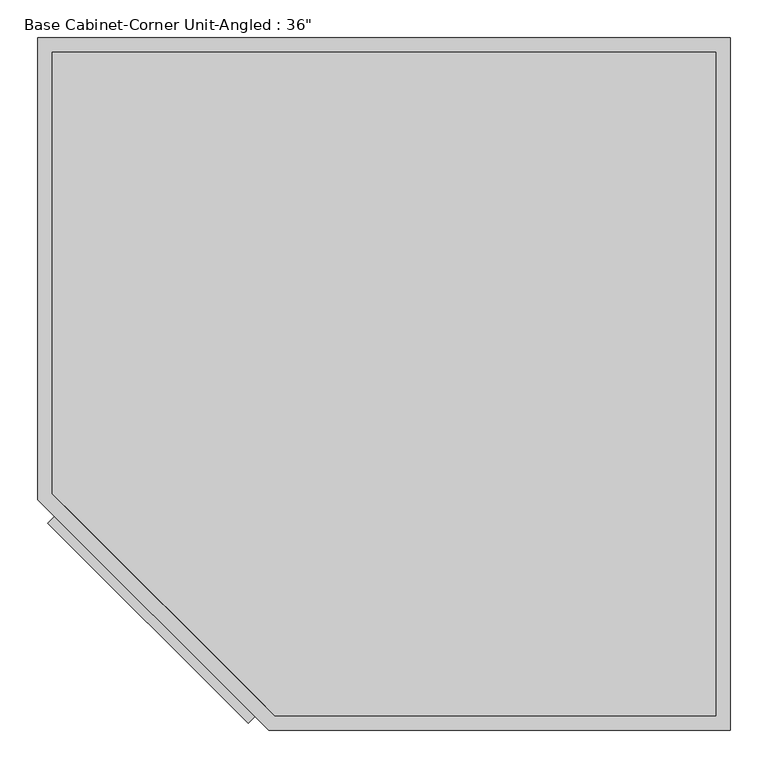
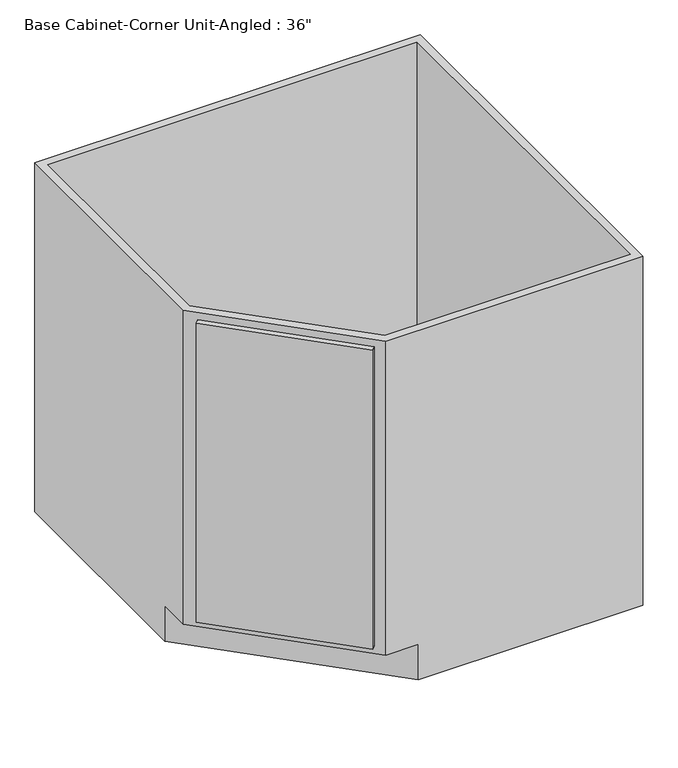
"""IFC4 building model written with IfcOpenShell, lengths in millimetres: furniture geometry."""

import ifcopenshell
import ifcopenshell.guid

model = None  # the IFC model being written
_history = None  # IfcOwnerHistory: only IFC2X3 demands one
_inside = {}  # id of a spatial element -> (the spatial element, [elements in it])
_under = {}  # id of a project, library or spatial element -> (it, [spatial elements below it])
_declared = {}  # id of a project -> (the project, [libraries it declares])
_typed = {}  # id of a type object -> (the type object, [elements of that type])
_made_of = {}  # id of a material, layer set ... -> (it, [elements and type objects made of it])


def new_model(schema):
    """Start an empty IFC model of exactly this schema.

    Asked for "IFC4X3", IfcOpenShell would pick the latest addendum, in which some entities
    have other attributes; the version numbers below select the first issue.
    IFC2X3 requires an IfcOwnerHistory on every rooted entity: one is made here for all.
    """
    global model, _history
    if schema == "IFC4X3":
        model = ifcopenshell.file(schema_version=(4, 3, 0, 0))
    else:
        model = ifcopenshell.file(schema=schema)
    _inside.clear()
    _under.clear()
    _declared.clear()
    _typed.clear()
    _made_of.clear()
    _history = None
    if model.schema == "IFC2X3":
        org = make("IfcOrganization", Name="unknown")
        user = make(
            "IfcPersonAndOrganization",
            ThePerson=make("IfcPerson", FamilyName="unknown"),
            TheOrganization=org,
        )
        app = make(
            "IfcApplication",
            ApplicationDeveloper=org,
            Version="unknown",
            ApplicationFullName="unknown",
            ApplicationIdentifier="unknown",
        )
        _history = make(
            "IfcOwnerHistory",
            OwningUser=user,
            OwningApplication=app,
            ChangeAction="ADDED",
            CreationDate=0,
        )
    return model


def make(cls, **values):
    """One entity of the class cls with the attributes given. An attribute that is None is left unset."""
    return model.create_entity(
        cls, **{name: value for name, value in values.items() if value is not None}
    )


def rooted(cls, **values):
    """An entity with a GlobalId (a new one), such as an element, a storey or a relation."""
    return make(cls, GlobalId=ifcopenshell.guid.new(), OwnerHistory=_history, **values)


def si_unit(unit_type, name, prefix=None):
    """IfcSIUnit, for example si_unit("LENGTHUNIT", "METRE", prefix="MILLI")."""
    return make("IfcSIUnit", UnitType=unit_type, Prefix=prefix, Name=name)


def assignment(units):
    """IfcUnitAssignment: the units of a project."""
    return None if units is None else make("IfcUnitAssignment", Units=units)


def point(xyz):
    """IfcCartesianPoint."""
    return None if xyz is None else make("IfcCartesianPoint", Coordinates=xyz)


def direction(xyz):
    """IfcDirection."""
    return None if xyz is None else make("IfcDirection", DirectionRatios=xyz)


def frame(location, z_axis=None, x_axis=None):
    """IfcAxis2Placement3D, a coordinate frame: its origin and axes. An axis left out is left unset."""
    return make(
        "IfcAxis2Placement3D",
        Location=point(location),
        Axis=direction(z_axis),
        RefDirection=direction(x_axis),
    )


def origin():
    """The frame at (0, 0, 0) with its axes left unset."""
    return frame((0.0, 0.0, 0.0))


def place(relative_to, where):
    """IfcLocalPlacement: puts the frame where relative to a parent placement (None: the world)."""
    return make(
        "IfcLocalPlacement", PlacementRelTo=relative_to, RelativePlacement=where
    )


def context(
    kind, dimensions, precision=None, world=None, true_north=None, identifier=None
):
    """IfcGeometricRepresentationContext, for example the 3D "Model" context."""
    return make(
        "IfcGeometricRepresentationContext",
        ContextIdentifier=identifier,
        ContextType=kind,
        CoordinateSpaceDimension=dimensions,
        Precision=precision,
        WorldCoordinateSystem=world,
        TrueNorth=true_north,
    )


def project(units=None, contexts=None):
    """IfcProject with its units and contexts."""
    return rooted(
        "IfcProject",
        Name="project",
        RepresentationContexts=contexts,
        UnitsInContext=assignment(units),
    )


def spatial(cls, under=None, at=None, **own):
    """A site, building, storey or space (cls), placed at a placement, below another one or the project."""
    s = rooted(cls, ObjectPlacement=at, **own)
    if under is not None:
        _under.setdefault(under.id(), (under, []))[1].append(s)
    return s


def polyline(points):
    """IfcPolyline through the points."""
    return make("IfcPolyline", Points=[point(p) for p in points])


def outline(outer, holes=None, kind="AREA"):
    """IfcArbitraryClosedProfileDef: a profile drawn as a closed curve; with holes, ...WithVoids."""
    if holes is None:
        return make("IfcArbitraryClosedProfileDef", ProfileType=kind, OuterCurve=outer)
    return make(
        "IfcArbitraryProfileDefWithVoids",
        ProfileType=kind,
        OuterCurve=outer,
        InnerCurves=holes,
    )


def extrude(swept, where, along, depth):
    """IfcExtrudedAreaSolid: the profile swept, set in the frame where, extruded along a direction by depth."""
    return make(
        "IfcExtrudedAreaSolid",
        SweptArea=swept,
        Position=where,
        ExtrudedDirection=direction(along),
        Depth=depth,
    )


def faces_of(points, faces, orient=None, outer=None):
    """IfcFace entities. A face is a list of loops; a loop is a list of indices into points, from 0.

    orient and outer hold one flag for each loop. By default every Orientation is true, the
    first loop of a face is its IfcFaceOuterBound and the others are IfcFaceBound.
    """
    made = []
    for i, loops in enumerate(faces):
        bounds = []
        for j, loop in enumerate(loops):
            is_outer = j == 0 if outer is None else outer[i][j]
            bounds.append(
                make(
                    "IfcFaceOuterBound" if is_outer else "IfcFaceBound",
                    Bound=make("IfcPolyLoop", Polygon=[points[k] for k in loop]),
                    Orientation=True if orient is None else orient[i][j],
                )
            )
        made.append(make("IfcFace", Bounds=bounds))
    return made


def faceted_brep(points, faces, orient=None, outer=None, voids=None):
    """IfcFacetedBrep: a solid bounded by flat faces; with voids (closed shells), ...WithVoids."""
    shared = [point(p) for p in points]
    hull = make("IfcClosedShell", CfsFaces=faces_of(shared, faces, orient, outer))
    if voids is None:
        return make("IfcFacetedBrep", Outer=hull)
    return make(
        "IfcFacetedBrepWithVoids",
        Outer=hull,
        Voids=[
            make(cls, CfsFaces=faces_of(shared, fs, o, b)) for cls, fs, o, b in voids
        ],
    )


def shape(context_of_items, identifier, shape_type, items):
    """IfcShapeRepresentation: the items that make up one representation, for example the "Body"."""
    return make(
        "IfcShapeRepresentation",
        ContextOfItems=context_of_items,
        RepresentationIdentifier=identifier,
        RepresentationType=shape_type,
        Items=items,
    )


def source(mapping_origin, context_of_items, identifier, shape_type, items):
    """IfcRepresentationMap: a shape defined once, which mapped items show again and again."""
    return make(
        "IfcRepresentationMap",
        MappingOrigin=mapping_origin,
        MappedRepresentation=shape(context_of_items, identifier, shape_type, items),
    )


def transform(
    local_origin,
    x_axis=None,
    y_axis=None,
    z_axis=None,
    scale=None,
    scale2=None,
    scale3=None,
    uniform=True,
):
    """IfcCartesianTransformationOperator3D, or its non-uniform kind. x_axis, y_axis, z_axis: its Axis1, 2, 3."""
    if uniform:
        return make(
            "IfcCartesianTransformationOperator3D",
            Axis1=direction(x_axis),
            Axis2=direction(y_axis),
            LocalOrigin=point(local_origin),
            Scale=scale,
            Axis3=direction(z_axis),
        )
    return make(
        "IfcCartesianTransformationOperator3DnonUniform",
        Axis1=direction(x_axis),
        Axis2=direction(y_axis),
        LocalOrigin=point(local_origin),
        Scale=scale,
        Axis3=direction(z_axis),
        Scale2=scale2,
        Scale3=scale3,
    )


def mapped(mapping_source, mapping_target):
    """IfcMappedItem: shows the shape of a source again, moved by a transform."""
    return make(
        "IfcMappedItem", MappingSource=mapping_source, MappingTarget=mapping_target
    )


def made_of(thing, what):
    """Note that an element or type object is made of a material, layer set ...; save() writes the relation."""
    if what is not None:
        _made_of.setdefault(what.id(), (what, []))[1].append(thing)
    return thing


def element(
    cls,
    number,
    at=None,
    inside=None,
    cuts=None,
    type_object=None,
    material=None,
    context=None,
    identifier="Body",
    shape_type=None,
    held_by="IfcProductDefinitionShape",
    body=None,
    shapes=None,
    **own,
):
    """One element of the class cls, such as IfcWall. Its Tag is "e" and its number.

    at: its placement. inside: the storey or other place that contains it. cuts: it is an
    opening in that element (IfcRelVoidsElement). A single representation is given by context,
    identifier, shape_type and body (its items); several are given by shapes. held_by: the class
    of the entity that holds the representations. save() writes the other relations.
    """
    e = rooted(cls, Tag="e%d" % number, ObjectPlacement=at, **own)
    if body is not None:
        shapes = [shape(context, identifier, shape_type, body)]
    if shapes is not None:
        e.Representation = make(held_by, Representations=shapes)
    if inside is not None:
        _inside.setdefault(inside.id(), (inside, []))[1].append(e)
    if cuts is not None:
        rooted(
            "IfcRelVoidsElement", RelatingBuildingElement=cuts, RelatedOpeningElement=e
        )
    if type_object is not None:
        _typed.setdefault(type_object.id(), (type_object, []))[1].append(e)
    return made_of(e, material)


def aggregate(whole, parts):
    """IfcRelAggregates: a whole, such as a stair, and the parts it consists of."""
    return rooted("IfcRelAggregates", RelatingObject=whole, RelatedObjects=parts)


def save(model, path):
    """Write the relations noted so far, then the file.

    IfcRelAggregates (storeys below a building ...), IfcRelContainedInSpatialStructure (elements
    in a storey), IfcRelDefinesByType, IfcRelAssociatesMaterial and IfcRelDeclares: one each for
    every whole, place, type object, material and project.
    """
    for whole, parts in _under.values():
        aggregate(whole, parts)
    for where, things in _inside.values():
        rooted(
            "IfcRelContainedInSpatialStructure",
            RelatedElements=things,
            RelatingStructure=where,
        )
    for kind, things in _typed.values():
        rooted("IfcRelDefinesByType", RelatedObjects=things, RelatingType=kind)
    for what, things in _made_of.values():
        rooted("IfcRelAssociatesMaterial", RelatedObjects=things, RelatingMaterial=what)
    for by, libraries in _declared.values():
        rooted("IfcRelDeclares", RelatingContext=by, RelatedDefinitions=libraries)
    model.write(path)


def furniture_bfd559e3(model_context):
    return source(origin(), model_context, "Body", "SolidModel", [
        extrude(outline(polyline([(-109.5319116, -905.7284105), (-374.7303593, -641.0922321), (-352.3035566, -618.6177794), (-87.105109, -883.2539578), (-109.5319116, -905.7284105)])), frame((0.0, 0.0, 107.95), z_axis=(0.0, 0.0, 1.0), x_axis=(1.0, 0.0, 0.0)), (0.0, 0.0, 1.0), 749.3),
        faceted_brep([(526.7377049, 0.0, 876.3), (-387.6622951, 0.0, 876.3), (-387.6622951, -610.2462317, 876.3), (-82.8622951, -914.4, 876.3), (526.7377049, -914.4, 876.3), (-368.6122951, -602.3436184, 876.3), (-368.6122951, -19.05, 876.3), (507.6877049, -19.05, 876.3), (507.6877049, -895.35, 876.3), (-74.9833665, -895.35, 876.3), (-6.6622951, -914.4, 88.9), (-82.8622951, -914.4, 88.9), (-387.6622951, -610.2462317, 88.9), (-387.6622951, -534.0223805, 88.9), (-368.6122951, -553.0412615, 88.9), (-368.6122951, -602.3436184, 88.9), (-74.9833665, -895.35, 88.9), (-25.743465, -895.35, 88.9), (526.7377049, 0.0, 0.0), (-387.6622951, 0.0, 0.0), (-387.6622951, -534.0223805, 0.0), (-368.6122951, -19.05, 88.9), (507.6877049, -19.05, 88.9), (507.6877049, -895.35, 88.9), (-6.6622951, -914.4, 0.0), (526.7377049, -914.4, 0.0), (-100.5611906, -896.7386294, 857.25), (-100.5611906, -896.7386294, 107.95), (-365.7596382, -632.102451, 107.95), (-365.7596382, -632.102451, 857.25), (-87.105109, -883.2539578, 107.95), (-87.105109, -883.2539578, 857.25), (-352.3035566, -618.6177794, 857.25), (-352.3035566, -618.6177794, 107.95)], [[[0, 1, 2, 3, 4], [5, 6, 7, 8, 9]], [[10, 11, 12, 13, 14, 15, 16, 17]], [[1, 0, 18, 19]], [[2, 1, 19, 20, 13, 12]], [[6, 5, 15, 14, 21]], [[7, 6, 21, 22]], [[8, 7, 22, 23]], [[9, 8, 23, 17, 16]], [[4, 3, 11, 10, 24, 25]], [[0, 4, 25, 18]], [[14, 17, 23, 22, 21]], [[18, 25, 24, 20, 19]], [[20, 24, 10, 17, 14, 13]], [[3, 2, 12, 11], [26, 27, 28, 29]], [[5, 9, 16, 15], [30, 31, 32, 33]], [[30, 27, 26, 31]], [[27, 30, 33, 28]], [[28, 33, 32, 29]], [[31, 26, 29, 32]]]),
        extrude(outline(polyline([(507.6877049, -19.05), (507.6877049, -895.35), (-74.9833665, -895.35), (-368.6122951, -602.3436184), (-368.6122951, -19.05), (507.6877049, -19.05)])), frame((0.0, 0.0, 88.9), z_axis=(0.0, 0.0, 1.0), x_axis=(1.0, 0.0, 0.0)), (0.0, 0.0, 1.0), 19.05),
    ])


if __name__ == "__main__":
    model = new_model("IFC4")
    model_context = context("Model", 3, world=origin())
    ifc_project = project(units=[si_unit("LENGTHUNIT", "METRE", prefix="MILLI")], contexts=[model_context])
    site = spatial("IfcSite", under=ifc_project)
    building = spatial("IfcBuilding", under=site)
    placement = place(None, origin())
    furniture_shape = furniture_bfd559e3(model_context)
    element("IfcFurniture", 1, ObjectType="Base Cabinet-Corner Unit-Angled : 36\"", at=placement, inside=building, context=model_context, shape_type="MappedRepresentation", body=[
        mapped(furniture_shape, transform((0.0, 0.0, 0.0), x_axis=(1.0, 0.0, 0.0), y_axis=(0.0, 1.0, 0.0), z_axis=(0.0, 0.0, 1.0))),
    ])
    save(model, "model.ifc")
